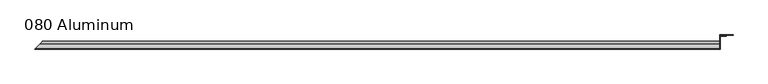
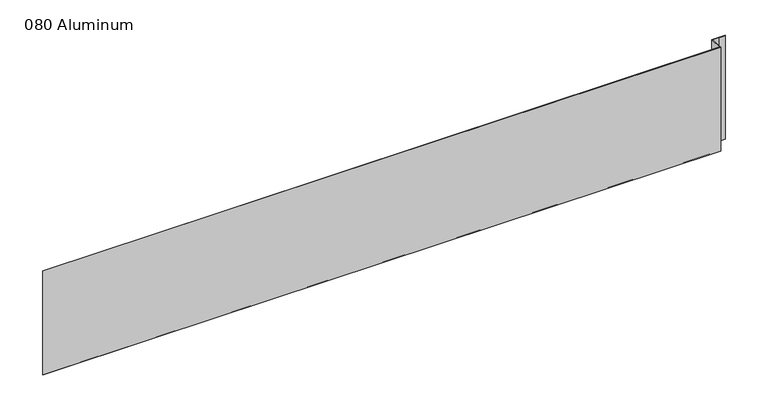
"""IFC4 building model written with IfcOpenShell, lengths in millimetres: plate geometry, 080 Aluminum."""

from ifc_helpers import new_model, si_unit, frame, origin, origin_with_axes, place, context, project, spatial, polyline, circle_curve, ellipse_curve, outline, extrude, source, transform, mapped, element, save
from ifc_brep_helpers import plane_surface, cylinder_surface, revolved_surface, advanced_brep


def plate_080_aluminum_f2532ecd(model_context):
    return source(origin(), model_context, "Body", "SolidModel", [
        advanced_brep(
        [(849.6299998, -16.6765477, 13.1458337), (849.6299998, -23.0264743, 13.124237), (849.6299998, -23.0264743, 1.2693678), (849.6299998, -34.7980002, 1.2693678), (849.6299998, -34.7980002, 0.0), (849.6299998, -21.7564743, 0.0), (849.6299998, -21.7564743, 13.124237), (849.6299998, -17.9464915, 13.1323356), (849.6299998, -17.9464915, 2.786437), (849.6299998, -16.6765477, 2.786437), (-880.2765476, -16.6765477, 2.786437), (-880.2765476, -16.6765477, 13.1458337), (-881.5464913, -17.9464915, 2.786437), (-881.5464913, -17.9464915, 13.1323356), (-885.3564741, -21.7564743, 13.124237), (-885.3564741, -21.7564743, 0.0), (-898.3979998, -34.7980002, 0.0), (-898.3979998, -34.7980002, 1.2693678), (-886.6264741, -23.0264743, 1.2693678), (-886.6264741, -23.0264743, 13.124237)],
        [
            (0, 1, circle_curve(frame((849.6299998, -19.8514743, 13.124237), z_axis=(1.0, 0.0, 0.0), x_axis=(0.0, 0.0, -1.0)), 3.175)),
            (1, 2),
            (2, 3),
            (3, 4),
            (4, 5),
            (5, 6),
            (6, 7, circle_curve(frame((849.6299998, -19.8514743, 13.124237), z_axis=(-1.0, 0.0, 0.0), x_axis=(0.0, 0.0, -1.0)), 1.905)),
            (7, 8),
            (8, 9),
            (9, 0),
            (9, 10),
            (10, 11),
            (11, 0),
            (8, 12),
            (12, 10),
            (7, 13),
            (13, 12),
            (6, 14),
            (14, 13, ellipse_curve(frame((-883.4514741, -19.8514743, 13.124237), z_axis=(-0.7071067811865466, 0.7071067811865486, 0.0), x_axis=(0.7071067811865483, 0.7071067811865466, 0.0)), 2.6940768, 1.905)),
            (5, 15),
            (15, 14),
            (4, 16),
            (16, 15),
            (3, 17),
            (17, 16),
            (2, 18),
            (18, 17),
            (1, 19),
            (19, 18),
            (11, 19, ellipse_curve(frame((-883.4514741, -19.8514743, 13.124237), z_axis=(0.7071067811865466, -0.7071067811865486, 0.0), x_axis=(-0.7071067811865483, -0.7071067811865466, 0.0)), 4.4901281, 3.175)),
        ],
        [
            plane_surface(frame((849.6299998, -36.068, 0.0), z_axis=(1.0, 0.0, 0.0), x_axis=(0.0, 0.0, 1.0))),
            plane_surface(frame((-898.3979998, -16.6765477, 13.1458337), z_axis=(0.0, 1.0, 0.0), x_axis=(1.0, 0.0, 0.0))),
            plane_surface(frame((-898.3979998, -16.6765477, 2.786437), z_axis=(0.0, 0.0, -1.0), x_axis=(1.0, 0.0, 0.0))),
            plane_surface(frame((-898.3979998, -17.9464915, 2.786437), z_axis=(0.0, -1.0, 0.0), x_axis=(1.0, 0.0, 0.0))),
            revolved_surface(polyline([(849.6299998, -19.8514743, 11.219237000000001), (-885.3564741, -19.8514743, 11.219237000000001)]), (-898.3979998, -19.8514743, 13.124237), (1.0, 0.0, 0.0)),
            plane_surface(frame((-898.3979998, -21.7564743, 13.124237), z_axis=(0.0, 1.0, 0.0), x_axis=(1.0, 0.0, 0.0))),
            plane_surface(frame((-898.3979998, -21.7564743, 0.0), z_axis=(0.0, 0.0, -1.0), x_axis=(1.0, 0.0, 0.0))),
            plane_surface(frame((-898.3979998, -34.7980002, 0.0), z_axis=(0.0, -1.0, 0.0), x_axis=(1.0, 0.0, 0.0))),
            plane_surface(frame((-898.3979998, -34.7980002, 1.2693678), z_axis=(0.0, 0.0, 1.0), x_axis=(1.0, 0.0, 0.0))),
            plane_surface(frame((-898.3979998, -23.0264743, 1.2693678), z_axis=(0.0, -1.0, 0.0), x_axis=(1.0, 0.0, 0.0))),
            cylinder_surface(frame((-898.3979998, -19.8514743, 13.124237), z_axis=(-1.0, 0.0, 0.0), x_axis=(0.0, 0.0, -1.0)), 3.175),
            plane_surface(frame((-899.6679998, -36.068, 457.2549971), z_axis=(-0.7071067811865466, 0.7071067811865486, 0.0), x_axis=(0.0, 0.0, -1.0))),
        ],
        [
            (0, [[1, 2, 3, 4, 5, 6, 7, 8, 9, 10]]),
            (1, [[-10, 11, 12, 13]]),
            (2, [[-9, 14, 15, -11]]),
            (3, [[-8, 16, 17, -14]]),
            (4, [[-7, 18, 19, -16]]),
            (5, [[-6, 20, 21, -18]]),
            (6, [[-5, 22, 23, -20]]),
            (7, [[-4, 24, 25, -22]]),
            (8, [[-3, 26, 27, -24]]),
            (9, [[-2, 28, 29, -26]]),
            (10, [[-1, -13, 30, -28]]),
            (11, [[-12, -15, -17, -19, -21, -23, -25, -27, -29, -30]]),
        ],
    ),
        extrude(outline(polyline([(850.8999998, -34.7980001), (850.8999998, -36.068), (-899.6679998, -36.068), (-898.3979999, -34.7980001), (850.8999998, -34.7980001)])), origin_with_axes(), (0.0, 0.0, 1.0), 284.1),
        extrude(outline(polyline([(850.8999998, -1.2699999), (850.8999998, -34.7980002), (849.6299999, -34.7980002), (849.6299999, 0.0), (883.4120855, 0.0), (883.4120855, -1.2699999), (850.8999998, -1.2699999)])), origin_with_axes(), (0.0, 0.0, 1.0), 282.83),
        extrude(outline(polyline([(849.6299998, -3.3274743), (849.6299998, -2.0574743), (865.3779998, -2.0574743), (865.3779998, -3.3274743), (849.6299998, -3.3274743)])), origin_with_axes(), (0.0, 0.0, 1.0), 284.1),
    ])


if __name__ == "__main__":
    model = new_model("IFC4")
    model_context = context("Model", 3, world=origin())
    ifc_project = project(units=[si_unit("LENGTHUNIT", "METRE", prefix="MILLI")], contexts=[model_context])
    site = spatial("IfcSite", under=ifc_project)
    building = spatial("IfcBuilding", under=site)
    placement = place(None, origin())
    plate_080_aluminum_shape = plate_080_aluminum_f2532ecd(model_context)
    element("IfcPlate", 1, ObjectType="080 Aluminum", at=placement, inside=building, context=model_context, shape_type="MappedRepresentation", body=[
        mapped(plate_080_aluminum_shape, transform((0.0, 0.0, 0.0), x_axis=(1.0, 0.0, 0.0), y_axis=(0.0, 1.0, 0.0), z_axis=(0.0, 0.0, 1.0))),
    ])
    save(model, "model.ifc")
